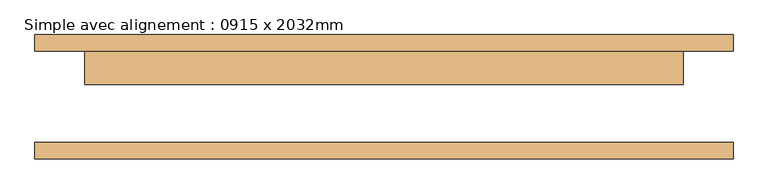
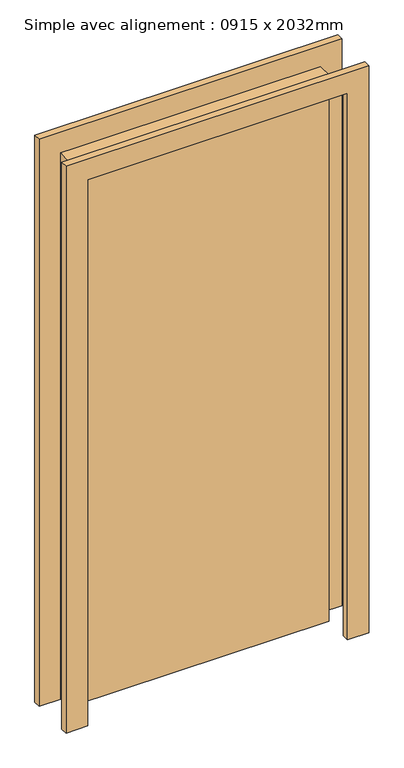
"""IFC4 building model written with IfcOpenShell, lengths in millimetres: door geometry, Simple avec alignement : 0915 x 2032mm."""

from ifc_helpers import new_model, si_unit, frame, origin, origin_with_axes, place, context, project, spatial, polyline, outline, extrude, source, transform, mapped, element, save


def simple_avec_alignement_0915_x_2032mm_d526aa08(model_context):
    return source(origin(), model_context, "Body", "SweptSolid", [
        extrude(outline(polyline([(2108.0, -533.5), (0.0, -533.5), (0.0, -457.5), (2032.0, -457.5), (2032.0, 457.5), (0.0, 457.5), (0.0, 533.5), (2108.0, 533.5), (2108.0, -533.5)])), frame((0.0, 70.0, 0.0), z_axis=(0.0, 1.0, 0.0), x_axis=(0.0, 0.0, 1.0)), (0.0, 0.0, 1.0), 25.0),
        extrude(outline(polyline([(2108.0, 533.5), (2108.0, -533.5), (0.0, -533.5), (0.0, -457.5), (2032.0, -457.5), (2032.0, 457.5), (0.0, 457.5), (0.0, 533.5), (2108.0, 533.5)])), frame((0.0, -95.0, 0.0), z_axis=(0.0, 1.0, 0.0), x_axis=(0.0, 0.0, 1.0)), (0.0, 0.0, 1.0), 25.0),
        extrude(outline(polyline([(457.5, 19.0), (-457.5, 19.0), (-457.5, 70.0), (457.5, 70.0), (457.5, 19.0)])), origin_with_axes(), (0.0, 0.0, 1.0), 2032.0),
    ])


if __name__ == "__main__":
    model = new_model("IFC4")
    model_context = context("Model", 3, world=origin())
    ifc_project = project(units=[si_unit("LENGTHUNIT", "METRE", prefix="MILLI")], contexts=[model_context])
    site = spatial("IfcSite", under=ifc_project)
    building = spatial("IfcBuilding", under=site)
    placement = place(None, origin())
    simple_avec_alignement_0915_x_2032mm_shape = simple_avec_alignement_0915_x_2032mm_d526aa08(model_context)
    element("IfcDoor", 1, ObjectType="Simple avec alignement : 0915 x 2032mm", at=placement, inside=building, context=model_context, shape_type="MappedRepresentation", body=[
        mapped(simple_avec_alignement_0915_x_2032mm_shape, transform((0.0, 0.0, 0.0), x_axis=(1.0, 0.0, 0.0), y_axis=(0.0, 1.0, 0.0), z_axis=(0.0, 0.0, 1.0))),
    ])
    save(model, "model.ifc")
